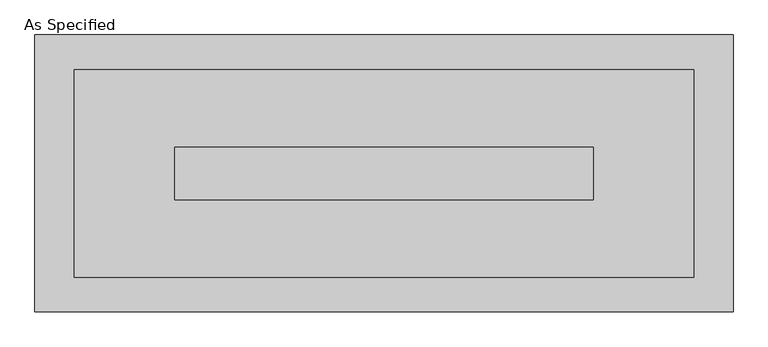
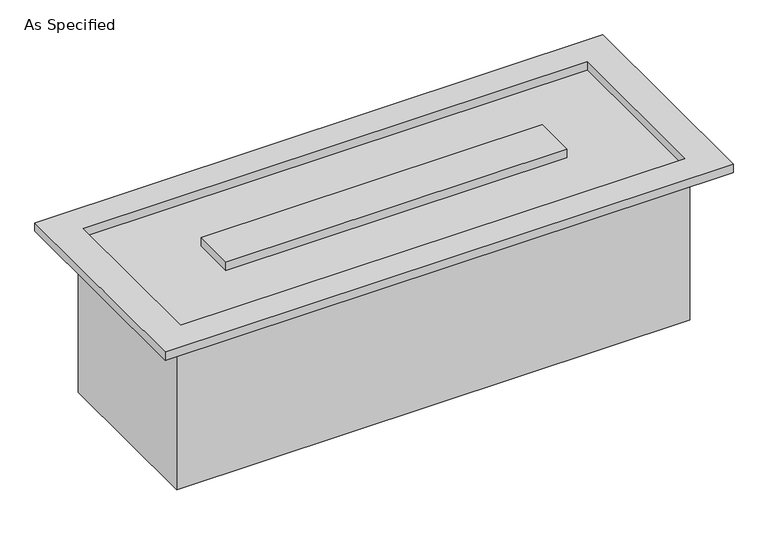
"""IFC4 building model written with IfcOpenShell, lengths in millimetres: proxy geometry, As Specified."""

from ifc_helpers import new_model, si_unit, origin, place, context, project, spatial, faceted_brep, source, transform, mapped, element, save


def as_specified_68916601(model_context):
    return source(origin(), model_context, "Body", "Brep", [
        faceted_brep([(458.7875, 152.4, -292.1), (458.7875, -152.4, -292.1), (-458.7875, -152.4, -292.1), (-458.7875, 152.4, -292.1), (450.8499926, -150.812509, 0.0), (450.8499926, 150.8125043, 0.0), (-450.8499937, 150.8125043, 0.0), (-450.8499937, -150.812509, 0.0), (-304.8000025, 38.0999981, 0.0), (304.8000013, 38.0999981, 0.0), (304.8000013, -38.1000028, 0.0), (-304.8000025, -38.1000028, 0.0), (-458.7875, 152.4, 0.0), (458.7875, 152.4, 0.0), (-458.7875, -152.4, 0.0), (458.7875, -152.4, 0.0), (508.0, 201.6125, 15.875), (-508.0, 201.6125, 15.875), (-508.0, -201.6125, 15.875), (508.0, -201.6125, 15.875), (450.8499926, 150.8125043, 15.875), (450.8499926, -150.812509, 15.875), (-450.8499937, -150.812509, 15.875), (-450.8499937, 150.8125043, 15.875), (304.8000013, 38.0999981, 15.875), (-304.8000025, 38.0999981, 15.875), (-304.8000025, -38.1000028, 15.875), (304.8000013, -38.1000028, 15.875), (508.0, 201.6125, 0.0), (508.0, -201.6125, 0.0), (-508.0, -201.6125, 0.0), (-508.0, 201.6125, 0.0)], [[[0, 1, 2, 3]], [[4, 5, 6, 7], [8, 9, 10, 11]], [[0, 3, 12, 13]], [[3, 2, 14, 12]], [[2, 1, 15, 14]], [[1, 0, 13, 15]], [[16, 17, 18, 19], [20, 21, 22, 23]], [[24, 25, 26, 27]], [[28, 29, 30, 31], [13, 12, 14, 15]], [[17, 16, 28, 31]], [[18, 17, 31, 30]], [[19, 18, 30, 29]], [[16, 19, 29, 28]], [[21, 20, 5, 4]], [[22, 21, 4, 7]], [[23, 22, 7, 6]], [[20, 23, 6, 5]], [[25, 24, 9, 8]], [[26, 25, 8, 11]], [[27, 26, 11, 10]], [[24, 27, 10, 9]]]),
    ])


if __name__ == "__main__":
    model = new_model("IFC4")
    model_context = context("Model", 3, world=origin())
    ifc_project = project(units=[si_unit("LENGTHUNIT", "METRE", prefix="MILLI")], contexts=[model_context])
    site = spatial("IfcSite", under=ifc_project)
    building = spatial("IfcBuilding", under=site)
    placement = place(None, origin())
    as_specified_shape = as_specified_68916601(model_context)
    element("IfcBuildingElementProxy", 1, Name="As Specified", ObjectType="As Specified", at=placement, inside=building, context=model_context, shape_type="MappedRepresentation", body=[
        mapped(as_specified_shape, transform((0.0, 0.0, 0.0), x_axis=(1.0, 0.0, 0.0), y_axis=(0.0, 1.0, 0.0), z_axis=(0.0, 0.0, 1.0))),
    ])
    save(model, "model.ifc")
